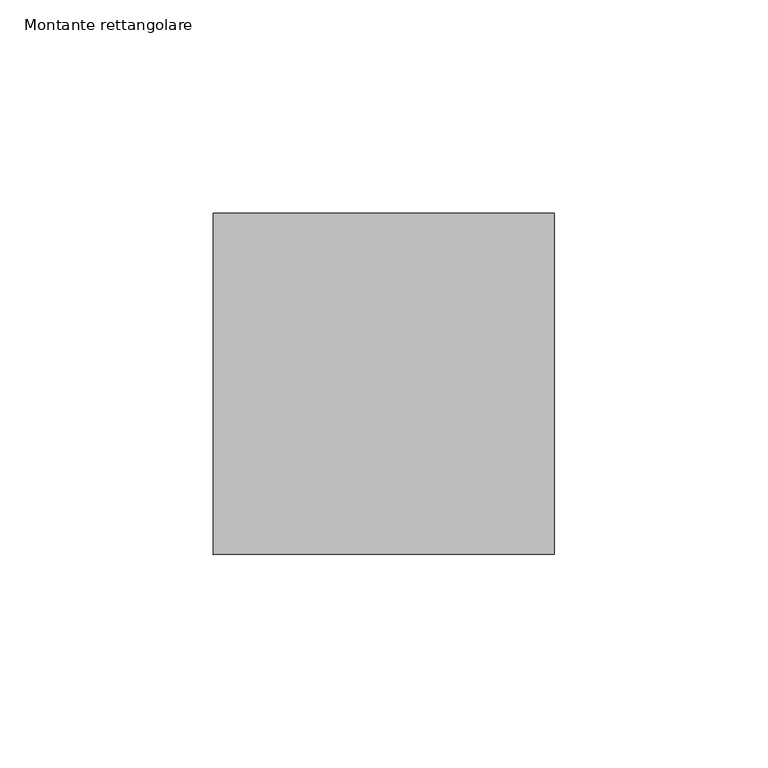
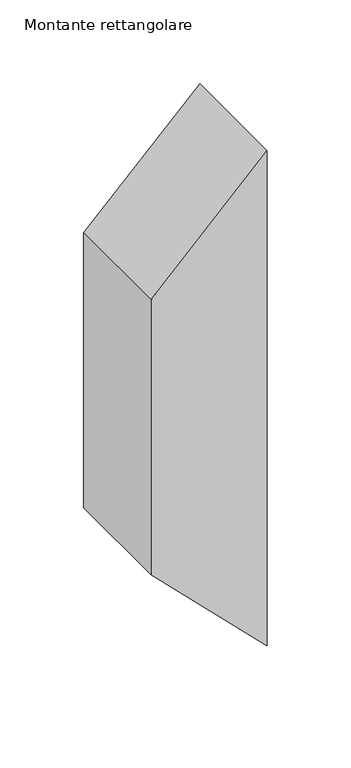
"""IFC4 building model written with IfcOpenShell, lengths in millimetres: member geometry, Montante rettangolare."""

import ifcopenshell
import ifcopenshell.guid

model = None  # the IFC model being written
_history = None  # IfcOwnerHistory: only IFC2X3 demands one
_inside = {}  # id of a spatial element -> (the spatial element, [elements in it])
_under = {}  # id of a project, library or spatial element -> (it, [spatial elements below it])
_declared = {}  # id of a project -> (the project, [libraries it declares])
_typed = {}  # id of a type object -> (the type object, [elements of that type])
_made_of = {}  # id of a material, layer set ... -> (it, [elements and type objects made of it])


def new_model(schema):
    """Start an empty IFC model of exactly this schema.

    Asked for "IFC4X3", IfcOpenShell would pick the latest addendum, in which some entities
    have other attributes; the version numbers below select the first issue.
    IFC2X3 requires an IfcOwnerHistory on every rooted entity: one is made here for all.
    """
    global model, _history
    if schema == "IFC4X3":
        model = ifcopenshell.file(schema_version=(4, 3, 0, 0))
    else:
        model = ifcopenshell.file(schema=schema)
    _inside.clear()
    _under.clear()
    _declared.clear()
    _typed.clear()
    _made_of.clear()
    _history = None
    if model.schema == "IFC2X3":
        org = make("IfcOrganization", Name="unknown")
        user = make(
            "IfcPersonAndOrganization",
            ThePerson=make("IfcPerson", FamilyName="unknown"),
            TheOrganization=org,
        )
        app = make(
            "IfcApplication",
            ApplicationDeveloper=org,
            Version="unknown",
            ApplicationFullName="unknown",
            ApplicationIdentifier="unknown",
        )
        _history = make(
            "IfcOwnerHistory",
            OwningUser=user,
            OwningApplication=app,
            ChangeAction="ADDED",
            CreationDate=0,
        )
    return model


def make(cls, **values):
    """One entity of the class cls with the attributes given. An attribute that is None is left unset."""
    return model.create_entity(
        cls, **{name: value for name, value in values.items() if value is not None}
    )


def rooted(cls, **values):
    """An entity with a GlobalId (a new one), such as an element, a storey or a relation."""
    return make(cls, GlobalId=ifcopenshell.guid.new(), OwnerHistory=_history, **values)


def si_unit(unit_type, name, prefix=None):
    """IfcSIUnit, for example si_unit("LENGTHUNIT", "METRE", prefix="MILLI")."""
    return make("IfcSIUnit", UnitType=unit_type, Prefix=prefix, Name=name)


def assignment(units):
    """IfcUnitAssignment: the units of a project."""
    return None if units is None else make("IfcUnitAssignment", Units=units)


def point(xyz):
    """IfcCartesianPoint."""
    return None if xyz is None else make("IfcCartesianPoint", Coordinates=xyz)


def direction(xyz):
    """IfcDirection."""
    return None if xyz is None else make("IfcDirection", DirectionRatios=xyz)


def frame(location, z_axis=None, x_axis=None):
    """IfcAxis2Placement3D, a coordinate frame: its origin and axes. An axis left out is left unset."""
    return make(
        "IfcAxis2Placement3D",
        Location=point(location),
        Axis=direction(z_axis),
        RefDirection=direction(x_axis),
    )


def origin():
    """The frame at (0, 0, 0) with its axes left unset."""
    return frame((0.0, 0.0, 0.0))


def place(relative_to, where):
    """IfcLocalPlacement: puts the frame where relative to a parent placement (None: the world)."""
    return make(
        "IfcLocalPlacement", PlacementRelTo=relative_to, RelativePlacement=where
    )


def context(
    kind, dimensions, precision=None, world=None, true_north=None, identifier=None
):
    """IfcGeometricRepresentationContext, for example the 3D "Model" context."""
    return make(
        "IfcGeometricRepresentationContext",
        ContextIdentifier=identifier,
        ContextType=kind,
        CoordinateSpaceDimension=dimensions,
        Precision=precision,
        WorldCoordinateSystem=world,
        TrueNorth=true_north,
    )


def project(units=None, contexts=None):
    """IfcProject with its units and contexts."""
    return rooted(
        "IfcProject",
        Name="project",
        RepresentationContexts=contexts,
        UnitsInContext=assignment(units),
    )


def spatial(cls, under=None, at=None, **own):
    """A site, building, storey or space (cls), placed at a placement, below another one or the project."""
    s = rooted(cls, ObjectPlacement=at, **own)
    if under is not None:
        _under.setdefault(under.id(), (under, []))[1].append(s)
    return s


def polyline(points):
    """IfcPolyline through the points."""
    return make("IfcPolyline", Points=[point(p) for p in points])


def outline(outer, holes=None, kind="AREA"):
    """IfcArbitraryClosedProfileDef: a profile drawn as a closed curve; with holes, ...WithVoids."""
    if holes is None:
        return make("IfcArbitraryClosedProfileDef", ProfileType=kind, OuterCurve=outer)
    return make(
        "IfcArbitraryProfileDefWithVoids",
        ProfileType=kind,
        OuterCurve=outer,
        InnerCurves=holes,
    )


def extrude(swept, where, along, depth):
    """IfcExtrudedAreaSolid: the profile swept, set in the frame where, extruded along a direction by depth."""
    return make(
        "IfcExtrudedAreaSolid",
        SweptArea=swept,
        Position=where,
        ExtrudedDirection=direction(along),
        Depth=depth,
    )


def shape(context_of_items, identifier, shape_type, items):
    """IfcShapeRepresentation: the items that make up one representation, for example the "Body"."""
    return make(
        "IfcShapeRepresentation",
        ContextOfItems=context_of_items,
        RepresentationIdentifier=identifier,
        RepresentationType=shape_type,
        Items=items,
    )


def source(mapping_origin, context_of_items, identifier, shape_type, items):
    """IfcRepresentationMap: a shape defined once, which mapped items show again and again."""
    return make(
        "IfcRepresentationMap",
        MappingOrigin=mapping_origin,
        MappedRepresentation=shape(context_of_items, identifier, shape_type, items),
    )


def transform(
    local_origin,
    x_axis=None,
    y_axis=None,
    z_axis=None,
    scale=None,
    scale2=None,
    scale3=None,
    uniform=True,
):
    """IfcCartesianTransformationOperator3D, or its non-uniform kind. x_axis, y_axis, z_axis: its Axis1, 2, 3."""
    if uniform:
        return make(
            "IfcCartesianTransformationOperator3D",
            Axis1=direction(x_axis),
            Axis2=direction(y_axis),
            LocalOrigin=point(local_origin),
            Scale=scale,
            Axis3=direction(z_axis),
        )
    return make(
        "IfcCartesianTransformationOperator3DnonUniform",
        Axis1=direction(x_axis),
        Axis2=direction(y_axis),
        LocalOrigin=point(local_origin),
        Scale=scale,
        Axis3=direction(z_axis),
        Scale2=scale2,
        Scale3=scale3,
    )


def mapped(mapping_source, mapping_target):
    """IfcMappedItem: shows the shape of a source again, moved by a transform."""
    return make(
        "IfcMappedItem", MappingSource=mapping_source, MappingTarget=mapping_target
    )


def made_of(thing, what):
    """Note that an element or type object is made of a material, layer set ...; save() writes the relation."""
    if what is not None:
        _made_of.setdefault(what.id(), (what, []))[1].append(thing)
    return thing


def element(
    cls,
    number,
    at=None,
    inside=None,
    cuts=None,
    type_object=None,
    material=None,
    context=None,
    identifier="Body",
    shape_type=None,
    held_by="IfcProductDefinitionShape",
    body=None,
    shapes=None,
    **own,
):
    """One element of the class cls, such as IfcWall. Its Tag is "e" and its number.

    at: its placement. inside: the storey or other place that contains it. cuts: it is an
    opening in that element (IfcRelVoidsElement). A single representation is given by context,
    identifier, shape_type and body (its items); several are given by shapes. held_by: the class
    of the entity that holds the representations. save() writes the other relations.
    """
    e = rooted(cls, Tag="e%d" % number, ObjectPlacement=at, **own)
    if body is not None:
        shapes = [shape(context, identifier, shape_type, body)]
    if shapes is not None:
        e.Representation = make(held_by, Representations=shapes)
    if inside is not None:
        _inside.setdefault(inside.id(), (inside, []))[1].append(e)
    if cuts is not None:
        rooted(
            "IfcRelVoidsElement", RelatingBuildingElement=cuts, RelatedOpeningElement=e
        )
    if type_object is not None:
        _typed.setdefault(type_object.id(), (type_object, []))[1].append(e)
    return made_of(e, material)


def aggregate(whole, parts):
    """IfcRelAggregates: a whole, such as a stair, and the parts it consists of."""
    return rooted("IfcRelAggregates", RelatingObject=whole, RelatedObjects=parts)


def save(model, path):
    """Write the relations noted so far, then the file.

    IfcRelAggregates (storeys below a building ...), IfcRelContainedInSpatialStructure (elements
    in a storey), IfcRelDefinesByType, IfcRelAssociatesMaterial and IfcRelDeclares: one each for
    every whole, place, type object, material and project.
    """
    for whole, parts in _under.values():
        aggregate(whole, parts)
    for where, things in _inside.values():
        rooted(
            "IfcRelContainedInSpatialStructure",
            RelatedElements=things,
            RelatingStructure=where,
        )
    for kind, things in _typed.values():
        rooted("IfcRelDefinesByType", RelatedObjects=things, RelatingType=kind)
    for what, things in _made_of.values():
        rooted("IfcRelAssociatesMaterial", RelatedObjects=things, RelatingMaterial=what)
    for by, libraries in _declared.values():
        rooted("IfcRelDeclares", RelatingContext=by, RelatedDefinitions=libraries)
    model.write(path)


def montante_rettangolare_8d3b7817(model_context):
    return source(origin(), model_context, "Body", "SweptSolid", [
        extrude(outline(polyline([(40.0003445, 0.0), (-40.3323739, -80.0), (-240.3340964, -80.0), (-320.0027561, 0.0), (40.0003445, 0.0)])), frame((0.0, -40.0, 0.0), z_axis=(0.0, 1.0, 0.0), x_axis=(0.0, 0.0, 1.0)), (0.0, 0.0, 1.0), 80.0),
    ])


if __name__ == "__main__":
    model = new_model("IFC4")
    model_context = context("Model", 3, world=origin())
    ifc_project = project(units=[si_unit("LENGTHUNIT", "METRE", prefix="MILLI")], contexts=[model_context])
    site = spatial("IfcSite", under=ifc_project)
    building = spatial("IfcBuilding", under=site)
    placement = place(None, origin())
    montante_rettangolare_shape = montante_rettangolare_8d3b7817(model_context)
    element("IfcMember", 1, ObjectType="Montante rettangolare", at=placement, inside=building, context=model_context, shape_type="MappedRepresentation", body=[
        mapped(montante_rettangolare_shape, transform((0.0, 0.0, 0.0), x_axis=(1.0, 0.0, 0.0), y_axis=(0.0, 1.0, 0.0), z_axis=(0.0, 0.0, 1.0))),
    ])
    save(model, "model.ifc")
